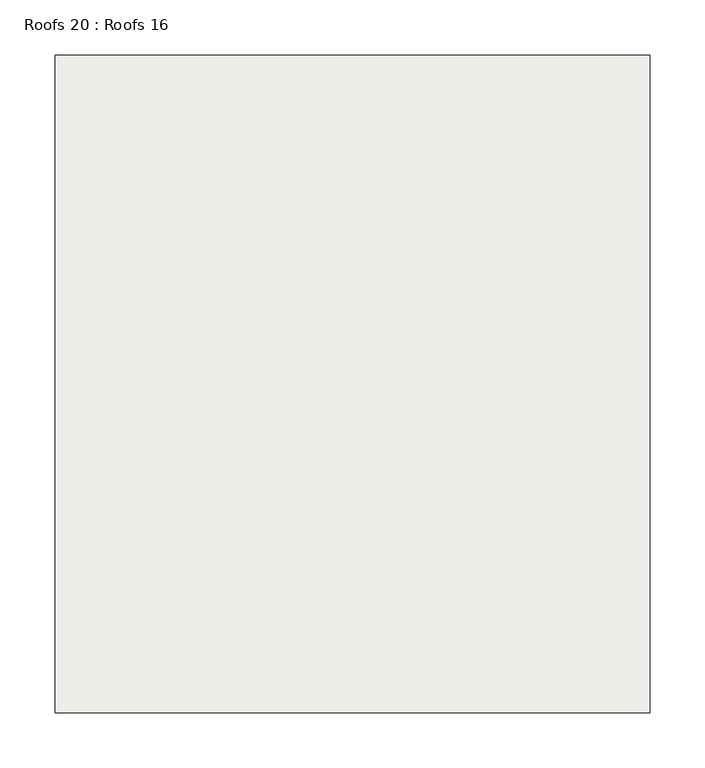
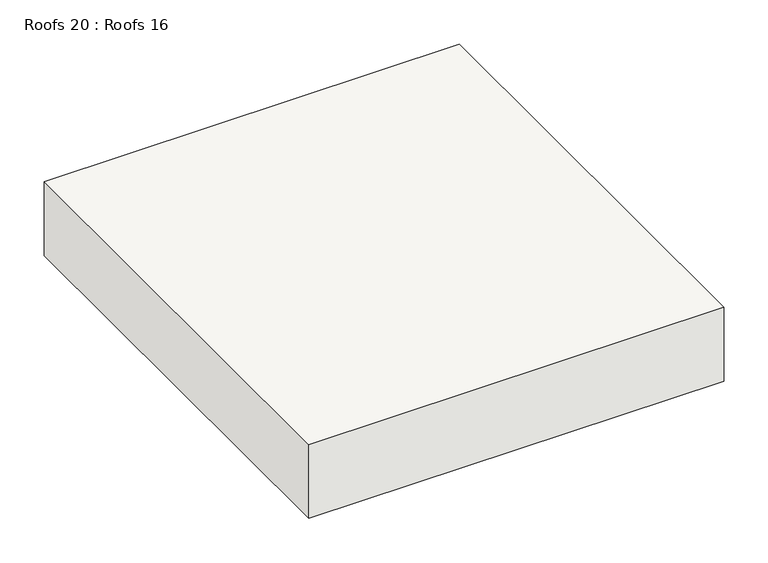
"""IFC4 building model written with IfcOpenShell, lengths in millimetres: roof geometry, Roofs 20 : Roofs 16."""

from ifc_helpers import new_model, si_unit, frame, origin, place, context, project, spatial, polyline, outline, extrude, source, transform, mapped, element, save


def roofs_20_roofs_16_ba8dd88c(model_context):
    return source(origin(), model_context, "Body", "SweptSolid", [
        extrude(outline(polyline([(-26342.8103773, 20779.9328508), (-25803.0603773, 20779.9328508), (-25803.0603773, 20183.3698813), (-26342.8103773, 20183.3698813), (-26342.8103773, 20779.9328508)])), frame((0.0, 0.0, -1790.7), z_axis=(0.0, 0.0, 1.0), x_axis=(1.0, 0.0, 0.0)), (0.0, 0.0, 1.0), 101.6),
    ])


if __name__ == "__main__":
    model = new_model("IFC4")
    model_context = context("Model", 3, world=origin())
    ifc_project = project(units=[si_unit("LENGTHUNIT", "METRE", prefix="MILLI")], contexts=[model_context])
    site = spatial("IfcSite", under=ifc_project)
    building = spatial("IfcBuilding", under=site)
    placement = place(None, origin())
    roofs_20_roofs_16_shape = roofs_20_roofs_16_ba8dd88c(model_context)
    element("IfcRoof", 1, ObjectType="Roofs 20 : Roofs 16", at=placement, inside=building, context=model_context, shape_type="MappedRepresentation", body=[
        mapped(roofs_20_roofs_16_shape, transform((0.0, 0.0, 0.0), x_axis=(1.0, 0.0, 0.0), y_axis=(0.0, 1.0, 0.0), z_axis=(0.0, 0.0, 1.0))),
    ])
    save(model, "model.ifc")
